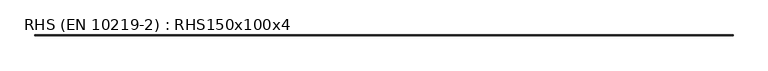
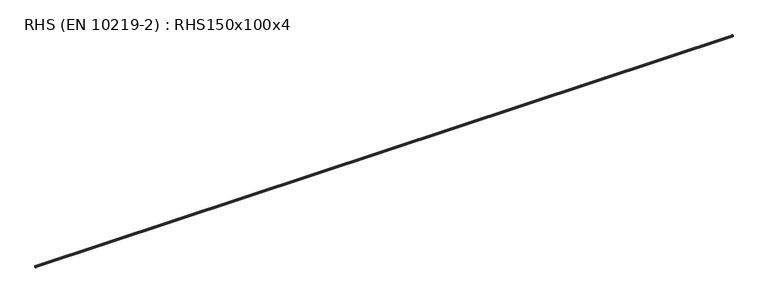
"""IFC4 building model written with IfcOpenShell, lengths in millimetres: beam geometry, RHS (EN 10219-2) : RHS150x100x4."""

from ifc_helpers import new_model, si_unit, point, frame, frame_2d, origin, place, context, project, spatial, polyline, circle_curve, trimmed, segment, composite_curve, outline, extrude, source, transform, mapped, element, save


def rhs_en_10219_2_rhs150x100x4_73cdefdb(model_context):
    return source(origin(), model_context, "Body", "SweptSolid", [
        extrude(outline(composite_curve([segment(polyline([(50.0, 67.0), (50.0, -67.0)]), True, "CONTINUOUS"), segment(trimmed(circle_curve(frame_2d((42.0, -67.0)), 8.0), [point((50.0, -67.0))], [point((42.0, -75.0))], False, "CARTESIAN"), True, "CONTINUOUS"), segment(polyline([(42.0, -75.0), (-42.0, -75.0)]), True, "CONTINUOUS"), segment(trimmed(circle_curve(frame_2d((-42.0, -67.0)), 8.0), [point((-42.0, -75.0))], [point((-50.0, -67.0))], False, "CARTESIAN"), True, "CONTINUOUS"), segment(polyline([(-50.0, -67.0), (-50.0, 67.0)]), True, "CONTINUOUS"), segment(trimmed(circle_curve(frame_2d((-42.0, 67.0)), 8.0), [point((-50.0, 67.0))], [point((-42.0, 75.0))], False, "CARTESIAN"), True, "CONTINUOUS"), segment(polyline([(-42.0, 75.0), (42.0, 75.0)]), True, "CONTINUOUS"), segment(trimmed(circle_curve(frame_2d((42.0, 67.0)), 8.0), [point((42.0, 75.0))], [point((50.0, 67.0))], False, "CARTESIAN"), True, "CONTINUOUS")], self_intersect=False), holes=[composite_curve([segment(trimmed(circle_curve(frame_2d((-42.0, 67.0)), 4.0), [point((-42.0, 71.0))], [point((-46.0, 67.0))], True, "CARTESIAN"), True, "CONTINUOUS"), segment(polyline([(-46.0, 67.0), (-46.0, -67.0)]), True, "CONTINUOUS"), segment(trimmed(circle_curve(frame_2d((-42.0, -67.0)), 4.0), [point((-46.0, -67.0))], [point((-42.0, -71.0))], True, "CARTESIAN"), True, "CONTINUOUS"), segment(polyline([(-42.0, -71.0), (42.0, -71.0)]), True, "CONTINUOUS"), segment(trimmed(circle_curve(frame_2d((42.0, -67.0)), 4.0), [point((42.0, -71.0))], [point((46.0, -67.0))], True, "CARTESIAN"), True, "CONTINUOUS"), segment(polyline([(46.0, -67.0), (46.0, 67.0)]), True, "CONTINUOUS"), segment(trimmed(circle_curve(frame_2d((42.0, 67.0)), 4.0), [point((46.0, 67.0))], [point((42.0, 71.0))], True, "CARTESIAN"), True, "CONTINUOUS"), segment(polyline([(42.0, 71.0), (-42.0, 71.0)]), True, "CONTINUOUS")], self_intersect=False)]), frame((-36200.0, 0.0, 0.0), z_axis=(1.0, 0.0, 0.0), x_axis=(0.0, 1.0, 0.0)), (0.0, 0.0, 1.0), 72400.0),
    ])


if __name__ == "__main__":
    model = new_model("IFC4")
    model_context = context("Model", 3, world=origin())
    ifc_project = project(units=[si_unit("LENGTHUNIT", "METRE", prefix="MILLI")], contexts=[model_context])
    site = spatial("IfcSite", under=ifc_project)
    building = spatial("IfcBuilding", under=site)
    placement = place(None, origin())
    rhs_en_10219_2_rhs150x100x4_shape = rhs_en_10219_2_rhs150x100x4_73cdefdb(model_context)
    element("IfcBeam", 1, ObjectType="RHS (EN 10219-2) : RHS150x100x4", at=placement, inside=building, context=model_context, shape_type="MappedRepresentation", body=[
        mapped(rhs_en_10219_2_rhs150x100x4_shape, transform((0.0, 0.0, 0.0), x_axis=(1.0, 0.0, 0.0), y_axis=(0.0, 1.0, 0.0), z_axis=(0.0, 0.0, 1.0))),
    ])
    save(model, "model.ifc")
